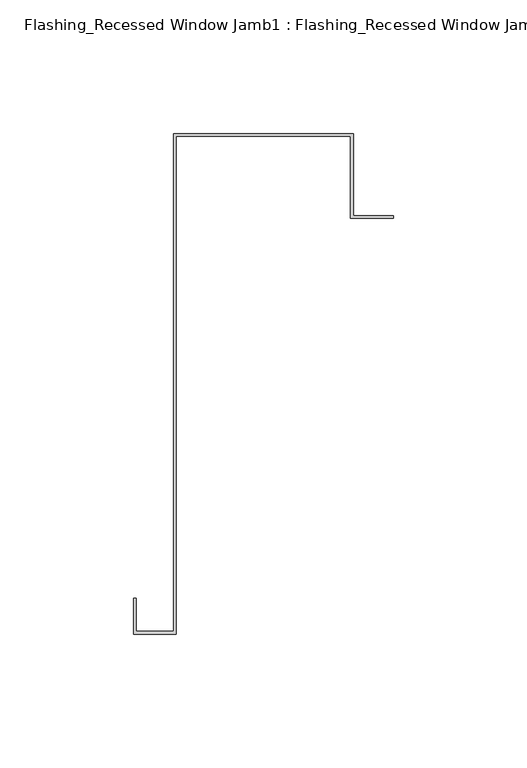
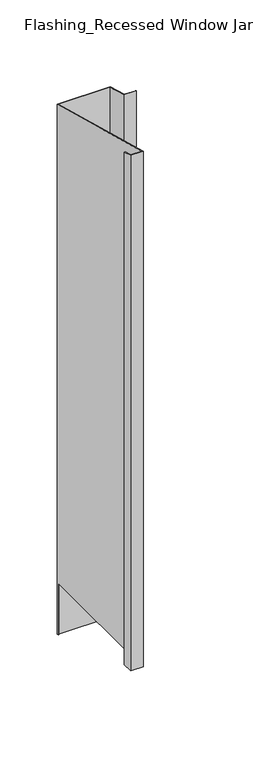
"""IFC4 building model written with IfcOpenShell, lengths in millimetres: proxy geometry, Flashing_Recessed Window Jamb1 : Flashing_Recessed Window Jamb."""

from ifc_helpers import new_model, si_unit, origin, place, context, project, spatial, faceted_brep, source, transform, mapped, element, save


def flashing_recessed_window_jamb1_flashing_recessed_window_jamb_9e5676da(model_context):
    return source(origin(), model_context, "Body", "Brep", [
        faceted_brep([(13692.8541786, 626.9865096, -1055.1751138), (13692.8541786, 657.7344915, -1055.1751138), (13627.4791786, 657.7344915, -1055.1751138), (13627.4791786, 656.8026399, -1055.1751138), (13626.4791786, 656.8026399, -1055.1751138), (13626.4791786, 658.7344915, -1055.1751138), (13693.8541786, 658.7344915, -1055.1751138), (13693.8541786, 627.9865096, -1055.1751138), (13708.8541786, 627.9865096, -1055.1751138), (13708.8541786, 626.9865096, -1055.1751138), (13693.8541786, 658.7344915, -343.2151173), (13693.8541786, 627.9865096, -334.9762204), (13626.4791786, 658.7344915, -343.2151173), (13626.4791786, 656.8026399, -985.662203), (13626.4791786, 472.3615096, -985.662203), (13626.4791786, 472.3615096, -293.2766273), (13612.4791786, 472.3615096, -293.2766273), (13612.4791786, 472.3615096, -985.662203), (13612.4791786, 484.6872381, -296.5792963), (13612.4791786, 484.6872381, -985.662203), (13611.4791786, 484.6872381, -296.5792963), (13611.4791786, 484.6872381, -985.662203), (13611.4791786, 471.3615096, -293.0086781), (13611.4791786, 471.3615096, -985.662203), (13627.4791786, 471.3615096, -293.0086781), (13627.4791786, 471.3615096, -985.662203), (13627.4791786, 657.7344915, -342.9471681), (13627.4791786, 656.8026399, -985.662203), (13692.8541786, 657.7344915, -342.9471681), (13692.8541786, 626.9865096, -334.7082712), (13708.8541786, 626.9865096, -334.7082712), (13708.8541786, 627.9865096, -334.9762204)], [[[0, 1, 2, 3, 4, 5, 6, 7, 8, 9]], [[7, 6, 10, 11]], [[6, 5, 12, 10]], [[12, 5, 4, 13, 14, 15]], [[16, 15, 14, 17]], [[18, 16, 17, 19]], [[20, 18, 19, 21]], [[22, 20, 21, 23]], [[24, 22, 23, 25]], [[2, 26, 24, 25, 27, 3]], [[2, 1, 28, 26]], [[1, 0, 29, 28]], [[0, 9, 30, 29]], [[9, 8, 31, 30]], [[8, 7, 11, 31]], [[11, 10, 12, 15, 16, 18, 20, 22, 24, 26, 28, 29, 30, 31]], [[13, 27, 25, 23, 21, 19, 17, 14]], [[27, 13, 4, 3]]]),
    ])


if __name__ == "__main__":
    model = new_model("IFC4")
    model_context = context("Model", 3, world=origin())
    ifc_project = project(units=[si_unit("LENGTHUNIT", "METRE", prefix="MILLI")], contexts=[model_context])
    site = spatial("IfcSite", under=ifc_project)
    building = spatial("IfcBuilding", under=site)
    placement = place(None, origin())
    flashing_recessed_window_jamb1_flashing_recessed_window_jamb_shape = flashing_recessed_window_jamb1_flashing_recessed_window_jamb_9e5676da(model_context)
    element("IfcBuildingElementProxy", 1, Name="Flashing_Recessed Window Jamb1 : Flashing_Recessed Window Jamb", ObjectType="Flashing_Recessed Window Jamb1 : Flashing_Recessed Window Jamb", at=placement, inside=building, context=model_context, shape_type="MappedRepresentation", body=[
        mapped(flashing_recessed_window_jamb1_flashing_recessed_window_jamb_shape, transform((0.0, 0.0, 0.0), x_axis=(1.0, 0.0, 0.0), y_axis=(0.0, 1.0, 0.0), z_axis=(0.0, 0.0, 1.0))),
    ])
    save(model, "model.ifc")
